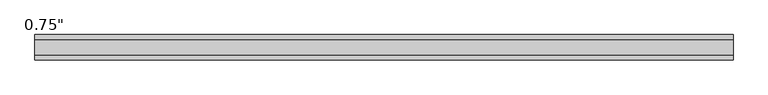
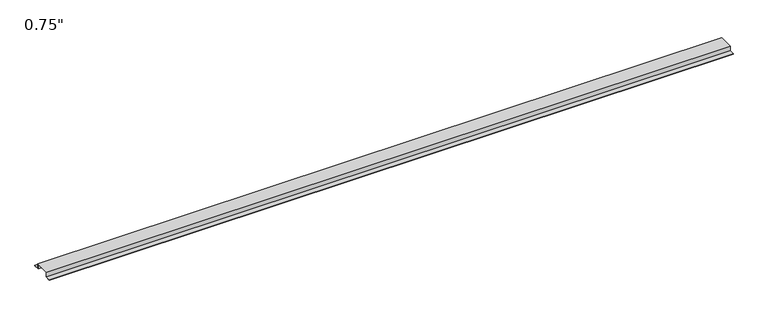
"""IFC4 building model written with IfcOpenShell, lengths in millimetres: proxy geometry."""

import ifcopenshell
import ifcopenshell.guid

model = None  # the IFC model being written
_history = None  # IfcOwnerHistory: only IFC2X3 demands one
_inside = {}  # id of a spatial element -> (the spatial element, [elements in it])
_under = {}  # id of a project, library or spatial element -> (it, [spatial elements below it])
_declared = {}  # id of a project -> (the project, [libraries it declares])
_typed = {}  # id of a type object -> (the type object, [elements of that type])
_made_of = {}  # id of a material, layer set ... -> (it, [elements and type objects made of it])


def new_model(schema):
    """Start an empty IFC model of exactly this schema.

    Asked for "IFC4X3", IfcOpenShell would pick the latest addendum, in which some entities
    have other attributes; the version numbers below select the first issue.
    IFC2X3 requires an IfcOwnerHistory on every rooted entity: one is made here for all.
    """
    global model, _history
    if schema == "IFC4X3":
        model = ifcopenshell.file(schema_version=(4, 3, 0, 0))
    else:
        model = ifcopenshell.file(schema=schema)
    _inside.clear()
    _under.clear()
    _declared.clear()
    _typed.clear()
    _made_of.clear()
    _history = None
    if model.schema == "IFC2X3":
        org = make("IfcOrganization", Name="unknown")
        user = make(
            "IfcPersonAndOrganization",
            ThePerson=make("IfcPerson", FamilyName="unknown"),
            TheOrganization=org,
        )
        app = make(
            "IfcApplication",
            ApplicationDeveloper=org,
            Version="unknown",
            ApplicationFullName="unknown",
            ApplicationIdentifier="unknown",
        )
        _history = make(
            "IfcOwnerHistory",
            OwningUser=user,
            OwningApplication=app,
            ChangeAction="ADDED",
            CreationDate=0,
        )
    return model


def make(cls, **values):
    """One entity of the class cls with the attributes given. An attribute that is None is left unset."""
    return model.create_entity(
        cls, **{name: value for name, value in values.items() if value is not None}
    )


def rooted(cls, **values):
    """An entity with a GlobalId (a new one), such as an element, a storey or a relation."""
    return make(cls, GlobalId=ifcopenshell.guid.new(), OwnerHistory=_history, **values)


def si_unit(unit_type, name, prefix=None):
    """IfcSIUnit, for example si_unit("LENGTHUNIT", "METRE", prefix="MILLI")."""
    return make("IfcSIUnit", UnitType=unit_type, Prefix=prefix, Name=name)


def assignment(units):
    """IfcUnitAssignment: the units of a project."""
    return None if units is None else make("IfcUnitAssignment", Units=units)


def point(xyz):
    """IfcCartesianPoint."""
    return None if xyz is None else make("IfcCartesianPoint", Coordinates=xyz)


def direction(xyz):
    """IfcDirection."""
    return None if xyz is None else make("IfcDirection", DirectionRatios=xyz)


def frame(location, z_axis=None, x_axis=None):
    """IfcAxis2Placement3D, a coordinate frame: its origin and axes. An axis left out is left unset."""
    return make(
        "IfcAxis2Placement3D",
        Location=point(location),
        Axis=direction(z_axis),
        RefDirection=direction(x_axis),
    )


def origin():
    """The frame at (0, 0, 0) with its axes left unset."""
    return frame((0.0, 0.0, 0.0))


def place(relative_to, where):
    """IfcLocalPlacement: puts the frame where relative to a parent placement (None: the world)."""
    return make(
        "IfcLocalPlacement", PlacementRelTo=relative_to, RelativePlacement=where
    )


def context(
    kind, dimensions, precision=None, world=None, true_north=None, identifier=None
):
    """IfcGeometricRepresentationContext, for example the 3D "Model" context."""
    return make(
        "IfcGeometricRepresentationContext",
        ContextIdentifier=identifier,
        ContextType=kind,
        CoordinateSpaceDimension=dimensions,
        Precision=precision,
        WorldCoordinateSystem=world,
        TrueNorth=true_north,
    )


def project(units=None, contexts=None):
    """IfcProject with its units and contexts."""
    return rooted(
        "IfcProject",
        Name="project",
        RepresentationContexts=contexts,
        UnitsInContext=assignment(units),
    )


def spatial(cls, under=None, at=None, **own):
    """A site, building, storey or space (cls), placed at a placement, below another one or the project."""
    s = rooted(cls, ObjectPlacement=at, **own)
    if under is not None:
        _under.setdefault(under.id(), (under, []))[1].append(s)
    return s


def polyline(points):
    """IfcPolyline through the points."""
    return make("IfcPolyline", Points=[point(p) for p in points])


def outline(outer, holes=None, kind="AREA"):
    """IfcArbitraryClosedProfileDef: a profile drawn as a closed curve; with holes, ...WithVoids."""
    if holes is None:
        return make("IfcArbitraryClosedProfileDef", ProfileType=kind, OuterCurve=outer)
    return make(
        "IfcArbitraryProfileDefWithVoids",
        ProfileType=kind,
        OuterCurve=outer,
        InnerCurves=holes,
    )


def extrude(swept, where, along, depth):
    """IfcExtrudedAreaSolid: the profile swept, set in the frame where, extruded along a direction by depth."""
    return make(
        "IfcExtrudedAreaSolid",
        SweptArea=swept,
        Position=where,
        ExtrudedDirection=direction(along),
        Depth=depth,
    )


def shape(context_of_items, identifier, shape_type, items):
    """IfcShapeRepresentation: the items that make up one representation, for example the "Body"."""
    return make(
        "IfcShapeRepresentation",
        ContextOfItems=context_of_items,
        RepresentationIdentifier=identifier,
        RepresentationType=shape_type,
        Items=items,
    )


def source(mapping_origin, context_of_items, identifier, shape_type, items):
    """IfcRepresentationMap: a shape defined once, which mapped items show again and again."""
    return make(
        "IfcRepresentationMap",
        MappingOrigin=mapping_origin,
        MappedRepresentation=shape(context_of_items, identifier, shape_type, items),
    )


def transform(
    local_origin,
    x_axis=None,
    y_axis=None,
    z_axis=None,
    scale=None,
    scale2=None,
    scale3=None,
    uniform=True,
):
    """IfcCartesianTransformationOperator3D, or its non-uniform kind. x_axis, y_axis, z_axis: its Axis1, 2, 3."""
    if uniform:
        return make(
            "IfcCartesianTransformationOperator3D",
            Axis1=direction(x_axis),
            Axis2=direction(y_axis),
            LocalOrigin=point(local_origin),
            Scale=scale,
            Axis3=direction(z_axis),
        )
    return make(
        "IfcCartesianTransformationOperator3DnonUniform",
        Axis1=direction(x_axis),
        Axis2=direction(y_axis),
        LocalOrigin=point(local_origin),
        Scale=scale,
        Axis3=direction(z_axis),
        Scale2=scale2,
        Scale3=scale3,
    )


def mapped(mapping_source, mapping_target):
    """IfcMappedItem: shows the shape of a source again, moved by a transform."""
    return make(
        "IfcMappedItem", MappingSource=mapping_source, MappingTarget=mapping_target
    )


def made_of(thing, what):
    """Note that an element or type object is made of a material, layer set ...; save() writes the relation."""
    if what is not None:
        _made_of.setdefault(what.id(), (what, []))[1].append(thing)
    return thing


def element(
    cls,
    number,
    at=None,
    inside=None,
    cuts=None,
    type_object=None,
    material=None,
    context=None,
    identifier="Body",
    shape_type=None,
    held_by="IfcProductDefinitionShape",
    body=None,
    shapes=None,
    **own,
):
    """One element of the class cls, such as IfcWall. Its Tag is "e" and its number.

    at: its placement. inside: the storey or other place that contains it. cuts: it is an
    opening in that element (IfcRelVoidsElement). A single representation is given by context,
    identifier, shape_type and body (its items); several are given by shapes. held_by: the class
    of the entity that holds the representations. save() writes the other relations.
    """
    e = rooted(cls, Tag="e%d" % number, ObjectPlacement=at, **own)
    if body is not None:
        shapes = [shape(context, identifier, shape_type, body)]
    if shapes is not None:
        e.Representation = make(held_by, Representations=shapes)
    if inside is not None:
        _inside.setdefault(inside.id(), (inside, []))[1].append(e)
    if cuts is not None:
        rooted(
            "IfcRelVoidsElement", RelatingBuildingElement=cuts, RelatedOpeningElement=e
        )
    if type_object is not None:
        _typed.setdefault(type_object.id(), (type_object, []))[1].append(e)
    return made_of(e, material)


def aggregate(whole, parts):
    """IfcRelAggregates: a whole, such as a stair, and the parts it consists of."""
    return rooted("IfcRelAggregates", RelatingObject=whole, RelatedObjects=parts)


def save(model, path):
    """Write the relations noted so far, then the file.

    IfcRelAggregates (storeys below a building ...), IfcRelContainedInSpatialStructure (elements
    in a storey), IfcRelDefinesByType, IfcRelAssociatesMaterial and IfcRelDeclares: one each for
    every whole, place, type object, material and project.
    """
    for whole, parts in _under.values():
        aggregate(whole, parts)
    for where, things in _inside.values():
        rooted(
            "IfcRelContainedInSpatialStructure",
            RelatedElements=things,
            RelatingStructure=where,
        )
    for kind, things in _typed.values():
        rooted("IfcRelDefinesByType", RelatedObjects=things, RelatingType=kind)
    for what, things in _made_of.values():
        rooted("IfcRelAssociatesMaterial", RelatedObjects=things, RelatingMaterial=what)
    for by, libraries in _declared.values():
        rooted("IfcRelDeclares", RelatingContext=by, RelatedDefinitions=libraries)
    model.write(path)


def proxy_ad1ec84d(model_context):
    return source(origin(), model_context, "Body", "SweptSolid", [
        extrude(outline(polyline([(46.0559645, -17.4625), (25.4, -17.4625), (25.4, 0.0), (-25.4, 0.0), (-25.4, -17.4625), (-46.0559645, -17.4625), (-46.0559645, -15.8492), (-27.0129, -15.8492), (-27.0129, 1.6129), (27.0129, 1.6129), (27.0129, -15.8492), (46.0559645, -15.8492), (46.0559645, -17.4625)])), frame((0.0, 0.0, 0.0), z_axis=(1.0, 0.0, 0.0), x_axis=(0.0, 1.0, 0.0)), (0.0, 0.0, 1.0), 2527.3),
    ])


if __name__ == "__main__":
    model = new_model("IFC4")
    model_context = context("Model", 3, world=origin())
    ifc_project = project(units=[si_unit("LENGTHUNIT", "METRE", prefix="MILLI")], contexts=[model_context])
    site = spatial("IfcSite", under=ifc_project)
    building = spatial("IfcBuilding", under=site)
    placement = place(None, origin())
    proxy_shape = proxy_ad1ec84d(model_context)
    element("IfcBuildingElementProxy", 1, Name="0.75\"", ObjectType="0.75\"", at=placement, inside=building, context=model_context, shape_type="MappedRepresentation", body=[
        mapped(proxy_shape, transform((0.0, 0.0, 0.0), x_axis=(1.0, 0.0, 0.0), y_axis=(0.0, 1.0, 0.0), z_axis=(0.0, 0.0, 1.0))),
    ])
    save(model, "model.ifc")
